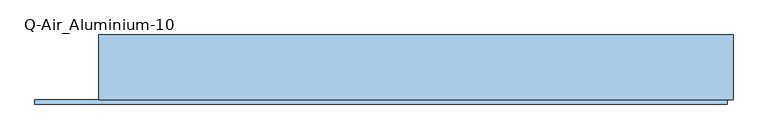
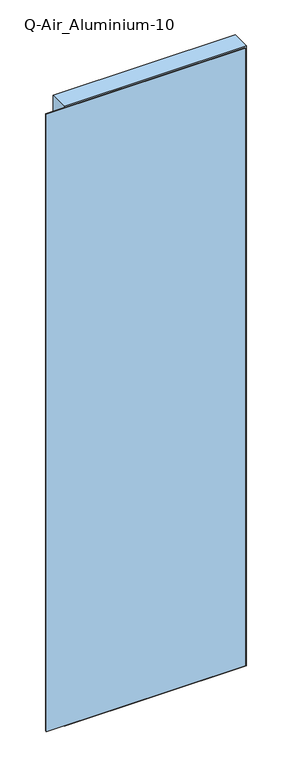
"""IFC4 building model written with IfcOpenShell, lengths in millimetres: window geometry, Q-Air_Aluminium-10."""

from ifc_helpers import new_model, si_unit, frame, origin, place, context, project, spatial, polyline, outline, extrude, source, transform, mapped, element, save


def q_air_aluminium_10_6648ffc0(model_context):
    return source(origin(), model_context, "Body", "SweptSolid", [
        extrude(outline(polyline([(4020.0, 560.0000002), (4020.0, -560.0000002), (0.0, -560.0000002), (0.0, 560.0000002), (4020.0, 560.0000002)]), holes=[polyline([(3962.0, 502.0000002), (58.0, 502.0000002), (58.0, -502.0000002), (3962.0, -502.0000002), (3962.0, 502.0000002)])]), frame((0.0, -114.5, 0.0), z_axis=(0.0, 1.0, 0.0), x_axis=(0.0, 0.0, 1.0)), (0.0, 0.0, 1.0), 114.5),
        extrude(outline(polyline([(502.0000002, 0.0), (502.0000002, -12.5), (-502.0000002, -12.5), (-502.0000002, 0.0), (502.0000002, 0.0)])), frame((0.0, 0.0, 58.0), z_axis=(0.0, 0.0, 1.0), x_axis=(1.0, 0.0, 0.0)), (0.0, 0.0, 1.0), 3904.0),
        extrude(outline(polyline([(550.0000002, -114.5), (550.0000002, -122.5), (-672.4000002, -122.5), (-672.4000002, -114.5), (550.0000002, -114.5)])), frame((0.0, 0.0, 10.0), z_axis=(0.0, 0.0, 1.0), x_axis=(1.0, 0.0, 0.0)), (0.0, 0.0, 1.0), 4000.0),
        extrude(outline(polyline([(4010.0, 550.0000002), (4010.0, -672.4000002), (10.0, -672.4000002), (10.0, 550.0000002), (4010.0, 550.0000002)]), holes=[polyline([(3962.0, 502.0000002), (58.0, 502.0000002), (58.0, -502.0000002), (3962.0, -502.0000002), (3962.0, 502.0000002)])]), frame((0.0, -118.5, 0.0), z_axis=(0.0, 1.0, 0.0), x_axis=(0.0, 0.0, 1.0)), (0.0, 0.0, 1.0), 4.0),
    ])


if __name__ == "__main__":
    model = new_model("IFC4")
    model_context = context("Model", 3, world=origin())
    ifc_project = project(units=[si_unit("LENGTHUNIT", "METRE", prefix="MILLI")], contexts=[model_context])
    site = spatial("IfcSite", under=ifc_project)
    building = spatial("IfcBuilding", under=site)
    placement = place(None, origin())
    q_air_aluminium_10_shape = q_air_aluminium_10_6648ffc0(model_context)
    element("IfcWindow", 1, ObjectType="Q-Air_Aluminium-10", at=placement, inside=building, context=model_context, shape_type="MappedRepresentation", body=[
        mapped(q_air_aluminium_10_shape, transform((0.0, 0.0, 0.0), x_axis=(1.0, 0.0, 0.0), y_axis=(0.0, 1.0, 0.0), z_axis=(0.0, 0.0, 1.0))),
    ])
    save(model, "model.ifc")
